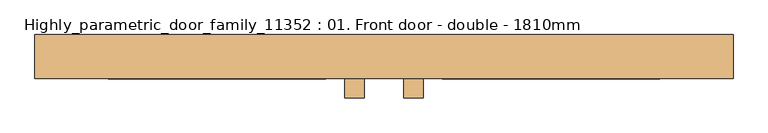
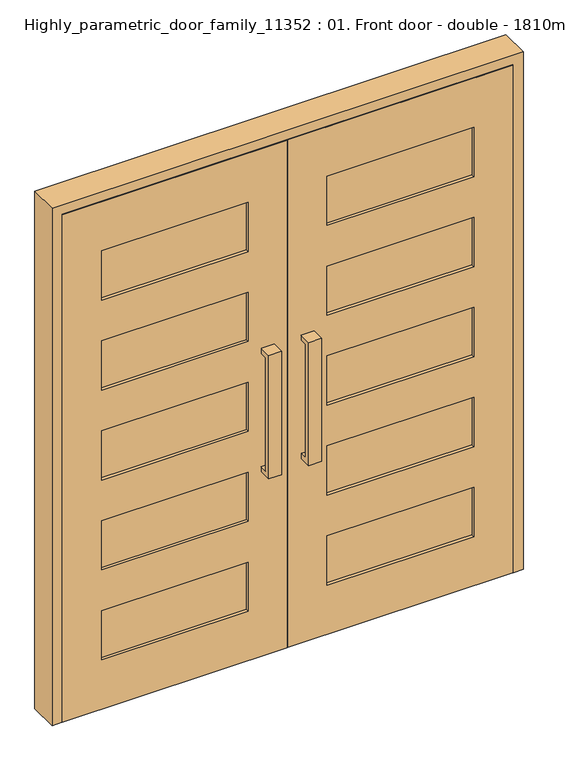
"""IFC4 building model written with IfcOpenShell, lengths in millimetres: door geometry, Highly_parametric_door_family_11352 : 01. Front door - double - 1810mm."""

import ifcopenshell
import ifcopenshell.guid

model = None  # the IFC model being written
_history = None  # IfcOwnerHistory: only IFC2X3 demands one
_inside = {}  # id of a spatial element -> (the spatial element, [elements in it])
_under = {}  # id of a project, library or spatial element -> (it, [spatial elements below it])
_declared = {}  # id of a project -> (the project, [libraries it declares])
_typed = {}  # id of a type object -> (the type object, [elements of that type])
_made_of = {}  # id of a material, layer set ... -> (it, [elements and type objects made of it])


def new_model(schema):
    """Start an empty IFC model of exactly this schema.

    Asked for "IFC4X3", IfcOpenShell would pick the latest addendum, in which some entities
    have other attributes; the version numbers below select the first issue.
    IFC2X3 requires an IfcOwnerHistory on every rooted entity: one is made here for all.
    """
    global model, _history
    if schema == "IFC4X3":
        model = ifcopenshell.file(schema_version=(4, 3, 0, 0))
    else:
        model = ifcopenshell.file(schema=schema)
    _inside.clear()
    _under.clear()
    _declared.clear()
    _typed.clear()
    _made_of.clear()
    _history = None
    if model.schema == "IFC2X3":
        org = make("IfcOrganization", Name="unknown")
        user = make(
            "IfcPersonAndOrganization",
            ThePerson=make("IfcPerson", FamilyName="unknown"),
            TheOrganization=org,
        )
        app = make(
            "IfcApplication",
            ApplicationDeveloper=org,
            Version="unknown",
            ApplicationFullName="unknown",
            ApplicationIdentifier="unknown",
        )
        _history = make(
            "IfcOwnerHistory",
            OwningUser=user,
            OwningApplication=app,
            ChangeAction="ADDED",
            CreationDate=0,
        )
    return model


def make(cls, **values):
    """One entity of the class cls with the attributes given. An attribute that is None is left unset."""
    return model.create_entity(
        cls, **{name: value for name, value in values.items() if value is not None}
    )


def rooted(cls, **values):
    """An entity with a GlobalId (a new one), such as an element, a storey or a relation."""
    return make(cls, GlobalId=ifcopenshell.guid.new(), OwnerHistory=_history, **values)


def si_unit(unit_type, name, prefix=None):
    """IfcSIUnit, for example si_unit("LENGTHUNIT", "METRE", prefix="MILLI")."""
    return make("IfcSIUnit", UnitType=unit_type, Prefix=prefix, Name=name)


def assignment(units):
    """IfcUnitAssignment: the units of a project."""
    return None if units is None else make("IfcUnitAssignment", Units=units)


def point(xyz):
    """IfcCartesianPoint."""
    return None if xyz is None else make("IfcCartesianPoint", Coordinates=xyz)


def direction(xyz):
    """IfcDirection."""
    return None if xyz is None else make("IfcDirection", DirectionRatios=xyz)


def frame(location, z_axis=None, x_axis=None):
    """IfcAxis2Placement3D, a coordinate frame: its origin and axes. An axis left out is left unset."""
    return make(
        "IfcAxis2Placement3D",
        Location=point(location),
        Axis=direction(z_axis),
        RefDirection=direction(x_axis),
    )


def origin():
    """The frame at (0, 0, 0) with its axes left unset."""
    return frame((0.0, 0.0, 0.0))


def place(relative_to, where):
    """IfcLocalPlacement: puts the frame where relative to a parent placement (None: the world)."""
    return make(
        "IfcLocalPlacement", PlacementRelTo=relative_to, RelativePlacement=where
    )


def context(
    kind, dimensions, precision=None, world=None, true_north=None, identifier=None
):
    """IfcGeometricRepresentationContext, for example the 3D "Model" context."""
    return make(
        "IfcGeometricRepresentationContext",
        ContextIdentifier=identifier,
        ContextType=kind,
        CoordinateSpaceDimension=dimensions,
        Precision=precision,
        WorldCoordinateSystem=world,
        TrueNorth=true_north,
    )


def project(units=None, contexts=None):
    """IfcProject with its units and contexts."""
    return rooted(
        "IfcProject",
        Name="project",
        RepresentationContexts=contexts,
        UnitsInContext=assignment(units),
    )


def spatial(cls, under=None, at=None, **own):
    """A site, building, storey or space (cls), placed at a placement, below another one or the project."""
    s = rooted(cls, ObjectPlacement=at, **own)
    if under is not None:
        _under.setdefault(under.id(), (under, []))[1].append(s)
    return s


def polyline(points):
    """IfcPolyline through the points."""
    return make("IfcPolyline", Points=[point(p) for p in points])


def outline(outer, holes=None, kind="AREA"):
    """IfcArbitraryClosedProfileDef: a profile drawn as a closed curve; with holes, ...WithVoids."""
    if holes is None:
        return make("IfcArbitraryClosedProfileDef", ProfileType=kind, OuterCurve=outer)
    return make(
        "IfcArbitraryProfileDefWithVoids",
        ProfileType=kind,
        OuterCurve=outer,
        InnerCurves=holes,
    )


def extrude(swept, where, along, depth):
    """IfcExtrudedAreaSolid: the profile swept, set in the frame where, extruded along a direction by depth."""
    return make(
        "IfcExtrudedAreaSolid",
        SweptArea=swept,
        Position=where,
        ExtrudedDirection=direction(along),
        Depth=depth,
    )


def faces_of(points, faces, orient=None, outer=None):
    """IfcFace entities. A face is a list of loops; a loop is a list of indices into points, from 0.

    orient and outer hold one flag for each loop. By default every Orientation is true, the
    first loop of a face is its IfcFaceOuterBound and the others are IfcFaceBound.
    """
    made = []
    for i, loops in enumerate(faces):
        bounds = []
        for j, loop in enumerate(loops):
            is_outer = j == 0 if outer is None else outer[i][j]
            bounds.append(
                make(
                    "IfcFaceOuterBound" if is_outer else "IfcFaceBound",
                    Bound=make("IfcPolyLoop", Polygon=[points[k] for k in loop]),
                    Orientation=True if orient is None else orient[i][j],
                )
            )
        made.append(make("IfcFace", Bounds=bounds))
    return made


def faceted_brep(points, faces, orient=None, outer=None, voids=None):
    """IfcFacetedBrep: a solid bounded by flat faces; with voids (closed shells), ...WithVoids."""
    shared = [point(p) for p in points]
    hull = make("IfcClosedShell", CfsFaces=faces_of(shared, faces, orient, outer))
    if voids is None:
        return make("IfcFacetedBrep", Outer=hull)
    return make(
        "IfcFacetedBrepWithVoids",
        Outer=hull,
        Voids=[
            make(cls, CfsFaces=faces_of(shared, fs, o, b)) for cls, fs, o, b in voids
        ],
    )


def shape(context_of_items, identifier, shape_type, items):
    """IfcShapeRepresentation: the items that make up one representation, for example the "Body"."""
    return make(
        "IfcShapeRepresentation",
        ContextOfItems=context_of_items,
        RepresentationIdentifier=identifier,
        RepresentationType=shape_type,
        Items=items,
    )


def source(mapping_origin, context_of_items, identifier, shape_type, items):
    """IfcRepresentationMap: a shape defined once, which mapped items show again and again."""
    return make(
        "IfcRepresentationMap",
        MappingOrigin=mapping_origin,
        MappedRepresentation=shape(context_of_items, identifier, shape_type, items),
    )


def transform(
    local_origin,
    x_axis=None,
    y_axis=None,
    z_axis=None,
    scale=None,
    scale2=None,
    scale3=None,
    uniform=True,
):
    """IfcCartesianTransformationOperator3D, or its non-uniform kind. x_axis, y_axis, z_axis: its Axis1, 2, 3."""
    if uniform:
        return make(
            "IfcCartesianTransformationOperator3D",
            Axis1=direction(x_axis),
            Axis2=direction(y_axis),
            LocalOrigin=point(local_origin),
            Scale=scale,
            Axis3=direction(z_axis),
        )
    return make(
        "IfcCartesianTransformationOperator3DnonUniform",
        Axis1=direction(x_axis),
        Axis2=direction(y_axis),
        LocalOrigin=point(local_origin),
        Scale=scale,
        Axis3=direction(z_axis),
        Scale2=scale2,
        Scale3=scale3,
    )


def mapped(mapping_source, mapping_target):
    """IfcMappedItem: shows the shape of a source again, moved by a transform."""
    return make(
        "IfcMappedItem", MappingSource=mapping_source, MappingTarget=mapping_target
    )


def made_of(thing, what):
    """Note that an element or type object is made of a material, layer set ...; save() writes the relation."""
    if what is not None:
        _made_of.setdefault(what.id(), (what, []))[1].append(thing)
    return thing


def element(
    cls,
    number,
    at=None,
    inside=None,
    cuts=None,
    type_object=None,
    material=None,
    context=None,
    identifier="Body",
    shape_type=None,
    held_by="IfcProductDefinitionShape",
    body=None,
    shapes=None,
    **own,
):
    """One element of the class cls, such as IfcWall. Its Tag is "e" and its number.

    at: its placement. inside: the storey or other place that contains it. cuts: it is an
    opening in that element (IfcRelVoidsElement). A single representation is given by context,
    identifier, shape_type and body (its items); several are given by shapes. held_by: the class
    of the entity that holds the representations. save() writes the other relations.
    """
    e = rooted(cls, Tag="e%d" % number, ObjectPlacement=at, **own)
    if body is not None:
        shapes = [shape(context, identifier, shape_type, body)]
    if shapes is not None:
        e.Representation = make(held_by, Representations=shapes)
    if inside is not None:
        _inside.setdefault(inside.id(), (inside, []))[1].append(e)
    if cuts is not None:
        rooted(
            "IfcRelVoidsElement", RelatingBuildingElement=cuts, RelatedOpeningElement=e
        )
    if type_object is not None:
        _typed.setdefault(type_object.id(), (type_object, []))[1].append(e)
    return made_of(e, material)


def aggregate(whole, parts):
    """IfcRelAggregates: a whole, such as a stair, and the parts it consists of."""
    return rooted("IfcRelAggregates", RelatingObject=whole, RelatedObjects=parts)


def save(model, path):
    """Write the relations noted so far, then the file.

    IfcRelAggregates (storeys below a building ...), IfcRelContainedInSpatialStructure (elements
    in a storey), IfcRelDefinesByType, IfcRelAssociatesMaterial and IfcRelDeclares: one each for
    every whole, place, type object, material and project.
    """
    for whole, parts in _under.values():
        aggregate(whole, parts)
    for where, things in _inside.values():
        rooted(
            "IfcRelContainedInSpatialStructure",
            RelatedElements=things,
            RelatingStructure=where,
        )
    for kind, things in _typed.values():
        rooted("IfcRelDefinesByType", RelatedObjects=things, RelatingType=kind)
    for what, things in _made_of.values():
        rooted("IfcRelAssociatesMaterial", RelatedObjects=things, RelatingMaterial=what)
    for by, libraries in _declared.values():
        rooted("IfcRelDeclares", RelatingContext=by, RelatedDefinitions=libraries)
    model.write(path)


def highly_parametric_door_family_11352_01_front_door_double_b6859804(model_context):
    return source(origin(), model_context, "Body", "SolidModel", [
        extrude(outline(polyline([(151.5, -34.5), (715.0, -34.5), (715.0, -44.5), (151.5, -44.5), (151.5, -34.5)])), frame((0.0, 0.0, 1660.0), z_axis=(0.0, 0.0, 1.0), x_axis=(1.0, 0.0, 0.0)), (0.0, 0.0, 1.0), 200.0),
        extrude(outline(polyline([(151.5, -34.5), (715.0, -34.5), (715.0, -44.5), (151.5, -44.5), (151.5, -34.5)])), frame((0.0, 0.0, 200.0), z_axis=(0.0, 0.0, 1.0), x_axis=(1.0, 0.0, 0.0)), (0.0, 0.0, 1.0), 200.0),
        extrude(outline(polyline([(151.5, -34.5), (715.0, -34.5), (715.0, -44.5), (151.5, -44.5), (151.5, -34.5)])), frame((0.0, 0.0, 1295.0), z_axis=(0.0, 0.0, 1.0), x_axis=(1.0, 0.0, 0.0)), (0.0, 0.0, 1.0), 200.0),
        extrude(outline(polyline([(151.5, -34.5), (715.0, -34.5), (715.0, -44.5), (151.5, -44.5), (151.5, -34.5)])), frame((0.0, 0.0, 930.0), z_axis=(0.0, 0.0, 1.0), x_axis=(1.0, 0.0, 0.0)), (0.0, 0.0, 1.0), 200.0),
        extrude(outline(polyline([(151.5, -34.5), (715.0, -34.5), (715.0, -44.5), (151.5, -44.5), (151.5, -34.5)])), frame((0.0, 0.0, 565.0), z_axis=(0.0, 0.0, 1.0), x_axis=(1.0, 0.0, 0.0)), (0.0, 0.0, 1.0), 200.0),
        extrude(outline(polyline([(0.0, 1.5), (0.0, 865.0), (2060.0, 865.0), (2060.0, 1.5), (0.0, 1.5)]), holes=[polyline([(1860.0, 151.5), (1860.0, 715.0), (1660.0, 715.0), (1660.0, 151.5), (1860.0, 151.5)]), polyline([(400.0, 715.0), (200.0, 715.0), (200.0, 151.5), (400.0, 151.5), (400.0, 715.0)]), polyline([(1495.0, 151.5), (1495.0, 715.0), (1295.0, 715.0), (1295.0, 151.5), (1495.0, 151.5)]), polyline([(1130.0, 151.5), (1130.0, 715.0), (930.0, 715.0), (930.0, 151.5), (1130.0, 151.5)]), polyline([(765.0, 151.5), (765.0, 715.0), (565.0, 715.0), (565.0, 151.5), (765.0, 151.5)])]), frame((0.0, -57.0, 0.0), z_axis=(0.0, 1.0, 0.0), x_axis=(0.0, 0.0, 1.0)), (0.0, 0.0, 1.0), 35.0),
        extrude(outline(polyline([(-151.5, -44.5), (-715.0, -44.5), (-715.0, -34.5), (-151.5, -34.5), (-151.5, -44.5)])), frame((0.0, 0.0, 1660.0), z_axis=(0.0, 0.0, 1.0), x_axis=(1.0, 0.0, 0.0)), (0.0, 0.0, 1.0), 200.0),
        extrude(outline(polyline([(-151.5, -44.5), (-715.0, -44.5), (-715.0, -34.5), (-151.5, -34.5), (-151.5, -44.5)])), frame((0.0, 0.0, 200.0), z_axis=(0.0, 0.0, 1.0), x_axis=(1.0, 0.0, 0.0)), (0.0, 0.0, 1.0), 200.0),
        extrude(outline(polyline([(-151.5, -44.5), (-715.0, -44.5), (-715.0, -34.5), (-151.5, -34.5), (-151.5, -44.5)])), frame((0.0, 0.0, 1295.0), z_axis=(0.0, 0.0, 1.0), x_axis=(1.0, 0.0, 0.0)), (0.0, 0.0, 1.0), 200.0),
        extrude(outline(polyline([(-151.5, -44.5), (-715.0, -44.5), (-715.0, -34.5), (-151.5, -34.5), (-151.5, -44.5)])), frame((0.0, 0.0, 930.0), z_axis=(0.0, 0.0, 1.0), x_axis=(1.0, 0.0, 0.0)), (0.0, 0.0, 1.0), 200.0),
        extrude(outline(polyline([(-151.5, -44.5), (-715.0, -44.5), (-715.0, -34.5), (-151.5, -34.5), (-151.5, -44.5)])), frame((0.0, 0.0, 565.0), z_axis=(0.0, 0.0, 1.0), x_axis=(1.0, 0.0, 0.0)), (0.0, 0.0, 1.0), 200.0),
        extrude(outline(polyline([(0.0, -1.5), (2060.0, -1.5), (2060.0, -865.0), (0.0, -865.0), (0.0, -1.5)]), holes=[polyline([(1860.0, -715.0), (1860.0, -151.5), (1660.0, -151.5), (1660.0, -715.0), (1860.0, -715.0)]), polyline([(200.0, -715.0), (400.0, -715.0), (400.0, -151.5), (200.0, -151.5), (200.0, -715.0)]), polyline([(1495.0, -715.0), (1495.0, -151.5), (1295.0, -151.5), (1295.0, -715.0), (1495.0, -715.0)]), polyline([(1130.0, -715.0), (1130.0, -151.5), (930.0, -151.5), (930.0, -715.0), (1130.0, -715.0)]), polyline([(765.0, -715.0), (765.0, -151.5), (565.0, -151.5), (565.0, -715.0), (765.0, -715.0)])]), frame((0.0, -57.0, 0.0), z_axis=(0.0, 1.0, 0.0), x_axis=(0.0, 0.0, 1.0)), (0.0, 0.0, 1.0), 35.0),
        extrude(outline(polyline([(28.0, 1250.0), (28.0, 750.0), (-22.0, 750.0), (-22.0, 770.0), (8.0, 770.0), (8.0, 1230.0), (-22.0, 1230.0), (-22.0, 1250.0), (28.0, 1250.0)])), frame((51.5, 0.0, 0.0), z_axis=(1.0, 0.0, 0.0), x_axis=(0.0, 1.0, 0.0)), (0.0, 0.0, 1.0), 50.0),
        extrude(outline(polyline([(28.0, 1250.0), (28.0, 750.0), (-22.0, 750.0), (-22.0, 770.0), (8.0, 770.0), (8.0, 1230.0), (-22.0, 1230.0), (-22.0, 1250.0), (28.0, 1250.0)])), frame((-101.5, 0.0, 0.0), z_axis=(1.0, 0.0, 0.0), x_axis=(0.0, 1.0, 0.0)), (0.0, 0.0, 1.0), 50.0),
        extrude(outline(polyline([(-107.0, 750.0), (-107.0, 1250.0), (-57.0, 1250.0), (-57.0, 1230.0), (-87.0, 1230.0), (-87.0, 770.0), (-57.0, 770.0), (-57.0, 750.0), (-107.0, 750.0)])), frame((51.5, 0.0, 0.0), z_axis=(1.0, 0.0, 0.0), x_axis=(0.0, 1.0, 0.0)), (0.0, 0.0, 1.0), 50.0),
        extrude(outline(polyline([(-107.0, 750.0), (-107.0, 1250.0), (-57.0, 1250.0), (-57.0, 1230.0), (-87.0, 1230.0), (-87.0, 770.0), (-57.0, 770.0), (-57.0, 750.0), (-107.0, 750.0)])), frame((-101.5, 0.0, 0.0), z_axis=(1.0, 0.0, 0.0), x_axis=(0.0, 1.0, 0.0)), (0.0, 0.0, 1.0), 50.0),
        faceted_brep([(905.0, 57.0, 0.0), (905.0, -57.0, 0.0), (868.0, -57.0, 0.0), (868.0, -19.0, 0.0), (858.0, -19.0, 0.0), (858.0, 57.0, 0.0), (905.0, 57.0, 2100.0), (905.0, -57.0, 2100.0), (858.0, 57.0, 2053.0), (-858.0, 57.0, 2053.0), (-858.0, 57.0, 0.0), (-905.0, 57.0, 0.0), (-905.0, 57.0, 2100.0), (-905.0, -57.0, 2100.0), (-905.0, -57.0, 0.0), (-868.0, -57.0, 0.0), (-868.0, -57.0, 2063.0), (868.0, -57.0, 2063.0), (-858.0, -19.0, 0.0), (-868.0, -19.0, 0.0), (-868.0, -19.0, 2063.0), (868.0, -19.0, 2063.0), (858.0, -19.0, 2053.0), (-858.0, -19.0, 2053.0)], [[[0, 1, 2, 3, 4, 5]], [[1, 0, 6, 7]], [[6, 0, 5, 8, 9, 10, 11, 12]], [[1, 7, 13, 14, 15, 16, 17, 2]], [[13, 12, 11, 14]], [[11, 10, 18, 19, 15, 14]], [[15, 19, 20, 16]], [[21, 3, 2, 17]], [[5, 4, 22, 8]], [[18, 10, 9, 23]], [[19, 18, 23, 22, 4, 3, 21, 20]], [[13, 7, 6, 12]], [[16, 20, 21, 17]], [[23, 9, 8, 22]]]),
    ])


if __name__ == "__main__":
    model = new_model("IFC4")
    model_context = context("Model", 3, world=origin())
    ifc_project = project(units=[si_unit("LENGTHUNIT", "METRE", prefix="MILLI")], contexts=[model_context])
    site = spatial("IfcSite", under=ifc_project)
    building = spatial("IfcBuilding", under=site)
    placement = place(None, origin())
    highly_parametric_door_family_11352_01_front_door_double_shape = highly_parametric_door_family_11352_01_front_door_double_b6859804(model_context)
    element("IfcDoor", 1, ObjectType="Highly_parametric_door_family_11352 : 01. Front door - double - 1810mm", at=placement, inside=building, context=model_context, shape_type="MappedRepresentation", body=[
        mapped(highly_parametric_door_family_11352_01_front_door_double_shape, transform((0.0, 0.0, 0.0), x_axis=(1.0, 0.0, 0.0), y_axis=(0.0, 1.0, 0.0), z_axis=(0.0, 0.0, 1.0))),
    ])
    save(model, "model.ifc")
